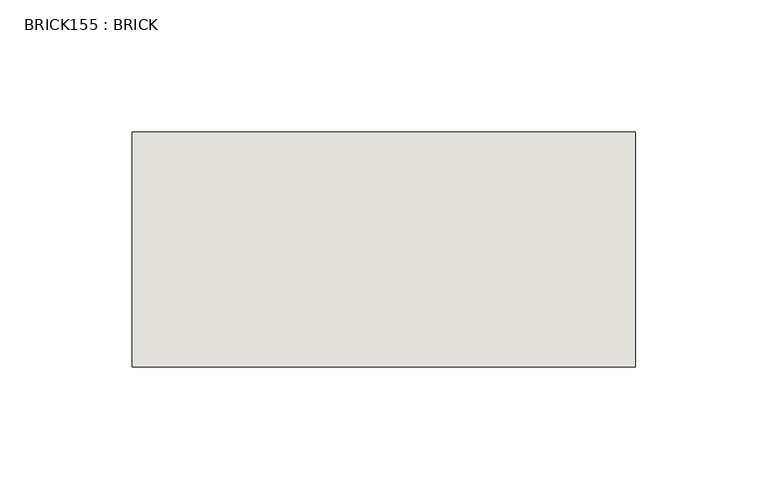
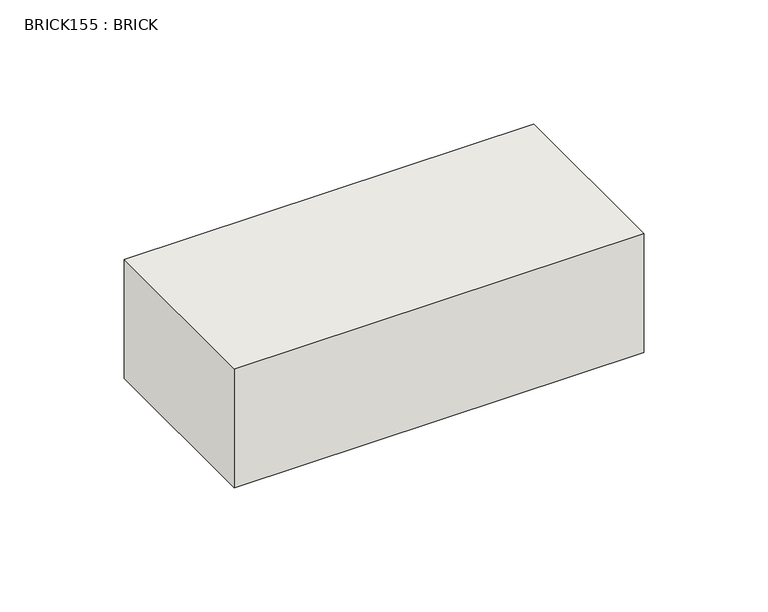
"""IFC4 building model written with IfcOpenShell, lengths in millimetres: wall geometry, BRICK155 : BRICK."""

from ifc_helpers import new_model, si_unit, frame, origin, place, context, project, spatial, polyline, outline, extrude, source, transform, mapped, element, save


def brick155_brick_ab1da1ab(model_context):
    return source(origin(), model_context, "Body", "SweptSolid", [
        extrude(outline(polyline([(-283.8727406, 2586.2274125), (-93.3727406, 2586.2274125), (-93.3727406, 2497.3274125), (-283.8727406, 2497.3274125), (-283.8727406, 2586.2274125)])), frame((0.0, 0.0, 143.8671875), z_axis=(0.0, 0.0, 1.0), x_axis=(1.0, 0.0, 0.0)), (0.0, 0.0, 1.0), 58.4398437),
    ])


if __name__ == "__main__":
    model = new_model("IFC4")
    model_context = context("Model", 3, world=origin())
    ifc_project = project(units=[si_unit("LENGTHUNIT", "METRE", prefix="MILLI")], contexts=[model_context])
    site = spatial("IfcSite", under=ifc_project)
    building = spatial("IfcBuilding", under=site)
    placement = place(None, origin())
    brick155_brick_shape = brick155_brick_ab1da1ab(model_context)
    element("IfcWall", 1, ObjectType="BRICK155 : BRICK", at=placement, inside=building, context=model_context, shape_type="MappedRepresentation", body=[
        mapped(brick155_brick_shape, transform((0.0, 0.0, 0.0), x_axis=(1.0, 0.0, 0.0), y_axis=(0.0, 1.0, 0.0), z_axis=(0.0, 0.0, 1.0))),
    ])
    save(model, "model.ifc")
